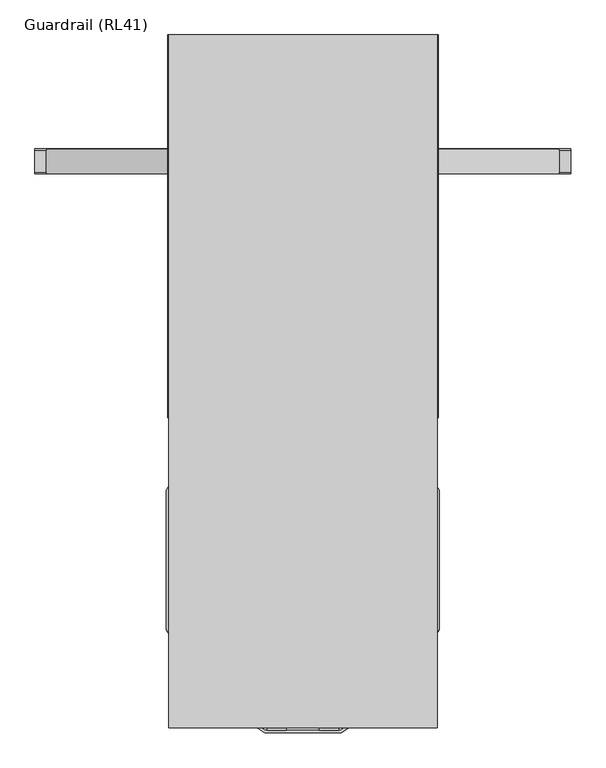
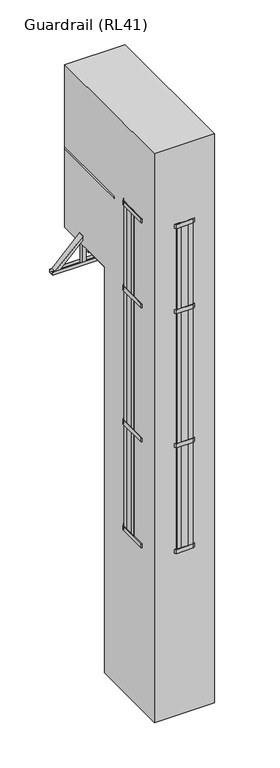
"""IFC4 building model written with IfcOpenShell, lengths in millimetres: proxy geometry, Guardrail (RL41)."""

from ifc_helpers import new_model, si_unit, point, frame, frame_2d, origin, place, context, project, spatial, polyline, circle_curve, trimmed, segment, composite_curve, outline, extrude, faceted_brep, source, transform, mapped, element, save
from ifc_brep_helpers import plane_surface, cylinder_surface, advanced_brep


def guardrail_rl41_0ad70044(model_context):
    return source(origin(), model_context, "Body", "SolidModel", [
        extrude(outline(polyline([(-350.5, -400.6413289), (-350.5, -350.6413289), (-338.5, -350.6413289), (-338.5, -400.6413289), (-350.5, -400.6413289)])), frame((0.0, 0.0, 2000.0), z_axis=(0.0, 0.0, 1.0), x_axis=(1.0, 0.0, 0.0)), (0.0, 0.0, 1.0), 4050.0),
        extrude(outline(polyline([(-350.5, -245.5), (-350.5, -195.5), (-338.5, -195.5), (-338.5, -245.5), (-350.5, -245.5)])), frame((0.0, 0.0, 2000.0), z_axis=(0.0, 0.0, 1.0), x_axis=(1.0, 0.0, 0.0)), (0.0, 0.0, 1.0), 4050.0),
        extrude(outline(polyline([(-100.0, -822.5), (-250.5, -722.5), (-356.5, -552.5), (-356.5, -188.7646621), (-306.0, -108.7646621), (-306.0, -5.5), (-300.0, -5.5), (-300.0, -110.5), (-350.5, -190.5), (-350.5, -550.7826578), (-246.0965631, -718.2221321), (-98.1883719, -816.5), (98.1883719, -816.5), (246.0965631, -718.2221321), (350.5, -550.7826578), (350.5, -190.5), (300.0, -110.5), (300.0, -5.5), (306.0, -5.5), (306.0, -108.7646621), (356.5, -188.7646621), (356.5, -552.5), (250.5, -722.5), (100.0, -822.5), (-100.0, -822.5)])), frame((0.0, 0.0, 3300.0), z_axis=(0.0, 0.0, 1.0), x_axis=(1.0, 0.0, 0.0)), (0.0, 0.0, 1.0), 50.0),
        extrude(outline(polyline([(-100.0, -822.5), (-250.5, -722.5), (-356.5, -552.5), (-356.5, -188.7646621), (-306.0, -108.7646621), (-306.0, -5.5), (-300.0, -5.5), (-300.0, -110.5), (-350.5, -190.5), (-350.5, -550.7826578), (-246.0965631, -718.2221321), (-98.1883719, -816.5), (98.1883719, -816.5), (246.0965631, -718.2221321), (350.5, -550.7826578), (350.5, -190.5), (300.0, -110.5), (300.0, -5.5), (306.0, -5.5), (306.0, -108.7646621), (356.5, -188.7646621), (356.5, -552.5), (250.5, -722.5), (100.0, -822.5), (-100.0, -822.5)])), frame((0.0, 0.0, 4950.0), z_axis=(0.0, 0.0, 1.0), x_axis=(1.0, 0.0, 0.0)), (0.0, 0.0, 1.0), 50.0),
        extrude(outline(polyline([(-100.0, -822.5), (-250.5, -722.5), (-356.5, -552.5), (-356.5, -188.7646621), (-306.0, -108.7646621), (-306.0, -5.5), (-300.0, -5.5), (-300.0, -110.5), (-350.5, -190.5), (-350.5, -550.7826578), (-246.0965631, -718.2221321), (-98.1883719, -816.5), (98.1883719, -816.5), (246.0965631, -718.2221321), (350.5, -550.7826578), (350.5, -190.5), (300.0, -110.5), (300.0, -5.5), (306.0, -5.5), (306.0, -108.7646621), (356.5, -188.7646621), (356.5, -552.5), (250.5, -722.5), (100.0, -822.5), (-100.0, -822.5)])), frame((0.0, 0.0, 2000.0), z_axis=(0.0, 0.0, 1.0), x_axis=(1.0, 0.0, 0.0)), (0.0, 0.0, 1.0), 50.0),
        extrude(outline(polyline([(-93.1883719, -816.5), (-93.1883719, -804.5), (-43.1883719, -804.5), (-43.1883719, -816.5), (-93.1883719, -816.5)])), frame((0.0, 0.0, 2000.0), z_axis=(0.0, 0.0, 1.0), x_axis=(1.0, 0.0, 0.0)), (0.0, 0.0, 1.0), 4050.0),
        extrude(outline(polyline([(-311.2167249, -591.1041694), (-321.399429, -597.4533849), (-347.8544935, -555.0254512), (-337.6717895, -548.6762357), (-311.2167249, -591.1041694)])), frame((0.0, 0.0, 2000.0), z_axis=(0.0, 0.0, 1.0), x_axis=(1.0, 0.0, 0.0)), (0.0, 0.0, 1.0), 4050.0),
        extrude(outline(polyline([(-200.2870228, -748.6603648), (-241.9320595, -720.9892441), (-235.2909905, -710.9944353), (-193.6459538, -738.665556), (-200.2870228, -748.6603648)])), frame((0.0, 0.0, 2000.0), z_axis=(0.0, 0.0, 1.0), x_axis=(1.0, 0.0, 0.0)), (0.0, 0.0, 1.0), 4050.0),
        extrude(outline(polyline([(93.1883719, -816.5), (43.1883719, -816.5), (43.1883719, -804.5), (93.1883719, -804.5), (93.1883719, -816.5)])), frame((0.0, 0.0, 2000.0), z_axis=(0.0, 0.0, 1.0), x_axis=(1.0, 0.0, 0.0)), (0.0, 0.0, 1.0), 4050.0),
        extrude(outline(polyline([(311.2167249, -591.1041694), (337.6717895, -548.6762357), (347.8544935, -555.0254512), (321.399429, -597.4533849), (311.2167249, -591.1041694)])), frame((0.0, 0.0, 2000.0), z_axis=(0.0, 0.0, 1.0), x_axis=(1.0, 0.0, 0.0)), (0.0, 0.0, 1.0), 4050.0),
        extrude(outline(polyline([(200.2870228, -748.6603648), (193.6459538, -738.665556), (235.2909905, -710.9944353), (241.9320595, -720.9892441), (200.2870228, -748.6603648)])), frame((0.0, 0.0, 2000.0), z_axis=(0.0, 0.0, 1.0), x_axis=(1.0, 0.0, 0.0)), (0.0, 0.0, 1.0), 4050.0),
        extrude(outline(polyline([(350.5, -400.6413289), (338.5, -400.6413289), (338.5, -350.6413289), (350.5, -350.6413289), (350.5, -400.6413289)])), frame((0.0, 0.0, 2000.0), z_axis=(0.0, 0.0, 1.0), x_axis=(1.0, 0.0, 0.0)), (0.0, 0.0, 1.0), 4050.0),
        extrude(outline(polyline([(350.5, -245.5), (338.5, -245.5), (338.5, -195.5), (350.5, -195.5), (350.5, -245.5)])), frame((0.0, 0.0, 2000.0), z_axis=(0.0, 0.0, 1.0), x_axis=(1.0, 0.0, 0.0)), (0.0, 0.0, 1.0), 4050.0),
        extrude(outline(polyline([(-100.0, -822.5), (-250.5, -722.5), (-356.5, -552.5), (-356.5, -188.7646621), (-306.0, -108.7646621), (-306.0, -5.5), (-300.0, -5.5), (-300.0, -110.5), (-350.5, -190.5), (-350.5, -550.7826578), (-246.0965631, -718.2221321), (-98.1883719, -816.5), (98.1883719, -816.5), (246.0965631, -718.2221321), (350.5, -550.7826578), (350.5, -190.5), (300.0, -110.5), (300.0, -5.5), (306.0, -5.5), (306.0, -108.7646621), (356.5, -188.7646621), (356.5, -552.5), (250.5, -722.5), (100.0, -822.5), (-100.0, -822.5)])), frame((0.0, 0.0, 6000.0), z_axis=(0.0, 0.0, 1.0), x_axis=(1.0, 0.0, 0.0)), (0.0, 0.0, 1.0), 50.0),
        extrude(outline(composite_curve([segment(polyline([(-53.0, 4684.8823529), (-53.0, 4701.8823529)]), True, "CONTINUOUS"), segment(trimmed(circle_curve(frame_2d((-30.5, 4688.9111991)), 25.9711538), [point((-53.0, 4701.8823529))], [point((-8.0, 4701.8823529))], False, "CARTESIAN"), True, "CONTINUOUS"), segment(polyline([(-8.0, 4701.8823529), (-8.0, 4684.8823529), (-53.0, 4684.8823529)]), True, "CONTINUOUS")], self_intersect=False)), frame((-262.0, 0.0, 0.0), z_axis=(1.0, 0.0, 0.0), x_axis=(0.0, 1.0, 0.0)), (0.0, 0.0, 1.0), 524.0),
        extrude(outline(composite_curve([segment(polyline([(-53.0, 4399.7647059), (-53.0, 4416.7647059)]), True, "CONTINUOUS"), segment(trimmed(circle_curve(frame_2d((-30.5, 4403.793552)), 25.9711538), [point((-53.0, 4416.7647059))], [point((-8.0, 4416.7647059))], False, "CARTESIAN"), True, "CONTINUOUS"), segment(polyline([(-8.0, 4416.7647059), (-8.0, 4399.7647059), (-53.0, 4399.7647059)]), True, "CONTINUOUS")], self_intersect=False)), frame((-262.0, 0.0, 0.0), z_axis=(1.0, 0.0, 0.0), x_axis=(0.0, 1.0, 0.0)), (0.0, 0.0, 1.0), 524.0),
        extrude(outline(composite_curve([segment(polyline([(-53.0, 4114.6470588), (-53.0, 4131.6470588)]), True, "CONTINUOUS"), segment(trimmed(circle_curve(frame_2d((-30.5, 4118.675905)), 25.9711538), [point((-53.0, 4131.6470588))], [point((-8.0, 4131.6470588))], False, "CARTESIAN"), True, "CONTINUOUS"), segment(polyline([(-8.0, 4131.6470588), (-8.0, 4114.6470588), (-53.0, 4114.6470588)]), True, "CONTINUOUS")], self_intersect=False)), frame((-262.0, 0.0, 0.0), z_axis=(1.0, 0.0, 0.0), x_axis=(0.0, 1.0, 0.0)), (0.0, 0.0, 1.0), 524.0),
        extrude(outline(composite_curve([segment(polyline([(-53.0, 3829.5294118), (-53.0, 3846.5294118)]), True, "CONTINUOUS"), segment(trimmed(circle_curve(frame_2d((-30.5, 3833.5582579)), 25.9711538), [point((-53.0, 3846.5294118))], [point((-8.0, 3846.5294118))], False, "CARTESIAN"), True, "CONTINUOUS"), segment(polyline([(-8.0, 3846.5294118), (-8.0, 3829.5294118), (-53.0, 3829.5294118)]), True, "CONTINUOUS")], self_intersect=False)), frame((-262.0, 0.0, 0.0), z_axis=(1.0, 0.0, 0.0), x_axis=(0.0, 1.0, 0.0)), (0.0, 0.0, 1.0), 524.0),
        extrude(outline(composite_curve([segment(polyline([(-53.0, 3544.4117647), (-53.0, 3561.4117647)]), True, "CONTINUOUS"), segment(trimmed(circle_curve(frame_2d((-30.5, 3548.4406109)), 25.9711538), [point((-53.0, 3561.4117647))], [point((-8.0, 3561.4117647))], False, "CARTESIAN"), True, "CONTINUOUS"), segment(polyline([(-8.0, 3561.4117647), (-8.0, 3544.4117647), (-53.0, 3544.4117647)]), True, "CONTINUOUS")], self_intersect=False)), frame((-262.0, 0.0, 0.0), z_axis=(1.0, 0.0, 0.0), x_axis=(0.0, 1.0, 0.0)), (0.0, 0.0, 1.0), 524.0),
        extrude(outline(composite_curve([segment(polyline([(-53.0, 3259.2941176), (-53.0, 3276.2941176)]), True, "CONTINUOUS"), segment(trimmed(circle_curve(frame_2d((-30.5, 3263.3229638)), 25.9711538), [point((-53.0, 3276.2941176))], [point((-8.0, 3276.2941176))], False, "CARTESIAN"), True, "CONTINUOUS"), segment(polyline([(-8.0, 3276.2941176), (-8.0, 3259.2941176), (-53.0, 3259.2941176)]), True, "CONTINUOUS")], self_intersect=False)), frame((-262.0, 0.0, 0.0), z_axis=(1.0, 0.0, 0.0), x_axis=(0.0, 1.0, 0.0)), (0.0, 0.0, 1.0), 524.0),
        extrude(outline(composite_curve([segment(polyline([(-53.0, 2974.1764706), (-53.0, 2991.1764706)]), True, "CONTINUOUS"), segment(trimmed(circle_curve(frame_2d((-30.5, 2978.2053167)), 25.9711538), [point((-53.0, 2991.1764706))], [point((-8.0, 2991.1764706))], False, "CARTESIAN"), True, "CONTINUOUS"), segment(polyline([(-8.0, 2991.1764706), (-8.0, 2974.1764706), (-53.0, 2974.1764706)]), True, "CONTINUOUS")], self_intersect=False)), frame((-262.0, 0.0, 0.0), z_axis=(1.0, 0.0, 0.0), x_axis=(0.0, 1.0, 0.0)), (0.0, 0.0, 1.0), 524.0),
        extrude(outline(composite_curve([segment(polyline([(-53.0, 2689.0588235), (-53.0, 2706.0588235)]), True, "CONTINUOUS"), segment(trimmed(circle_curve(frame_2d((-30.5, 2693.0876697)), 25.9711538), [point((-53.0, 2706.0588235))], [point((-8.0, 2706.0588235))], False, "CARTESIAN"), True, "CONTINUOUS"), segment(polyline([(-8.0, 2706.0588235), (-8.0, 2689.0588235), (-53.0, 2689.0588235)]), True, "CONTINUOUS")], self_intersect=False)), frame((-262.0, 0.0, 0.0), z_axis=(1.0, 0.0, 0.0), x_axis=(0.0, 1.0, 0.0)), (0.0, 0.0, 1.0), 524.0),
        extrude(outline(composite_curve([segment(polyline([(-53.0, 2403.9411765), (-53.0, 2420.9411765)]), True, "CONTINUOUS"), segment(trimmed(circle_curve(frame_2d((-30.5, 2407.9700226)), 25.9711538), [point((-53.0, 2420.9411765))], [point((-8.0, 2420.9411765))], False, "CARTESIAN"), True, "CONTINUOUS"), segment(polyline([(-8.0, 2420.9411765), (-8.0, 2403.9411765), (-53.0, 2403.9411765)]), True, "CONTINUOUS")], self_intersect=False)), frame((-262.0, 0.0, 0.0), z_axis=(1.0, 0.0, 0.0), x_axis=(0.0, 1.0, 0.0)), (0.0, 0.0, 1.0), 524.0),
        extrude(outline(composite_curve([segment(polyline([(-53.0, 2118.8235294), (-53.0, 2135.8235294)]), True, "CONTINUOUS"), segment(trimmed(circle_curve(frame_2d((-30.5, 2122.8523756)), 25.9711538), [point((-53.0, 2135.8235294))], [point((-8.0, 2135.8235294))], False, "CARTESIAN"), True, "CONTINUOUS"), segment(polyline([(-8.0, 2135.8235294), (-8.0, 2118.8235294), (-53.0, 2118.8235294)]), True, "CONTINUOUS")], self_intersect=False)), frame((-262.0, 0.0, 0.0), z_axis=(1.0, 0.0, 0.0), x_axis=(0.0, 1.0, 0.0)), (0.0, 0.0, 1.0), 524.0),
        extrude(outline(composite_curve([segment(polyline([(-53.0, 1833.7058824), (-53.0, 1850.7058824)]), True, "CONTINUOUS"), segment(trimmed(circle_curve(frame_2d((-30.5, 1837.7347285)), 25.9711538), [point((-53.0, 1850.7058824))], [point((-8.0, 1850.7058824))], False, "CARTESIAN"), True, "CONTINUOUS"), segment(polyline([(-8.0, 1850.7058824), (-8.0, 1833.7058824), (-53.0, 1833.7058824)]), True, "CONTINUOUS")], self_intersect=False)), frame((-262.0, 0.0, 0.0), z_axis=(1.0, 0.0, 0.0), x_axis=(0.0, 1.0, 0.0)), (0.0, 0.0, 1.0), 524.0),
        extrude(outline(composite_curve([segment(polyline([(-53.0, 1548.5882353), (-53.0, 1565.5882353)]), True, "CONTINUOUS"), segment(trimmed(circle_curve(frame_2d((-30.5, 1552.6170814)), 25.9711538), [point((-53.0, 1565.5882353))], [point((-8.0, 1565.5882353))], False, "CARTESIAN"), True, "CONTINUOUS"), segment(polyline([(-8.0, 1565.5882353), (-8.0, 1548.5882353), (-53.0, 1548.5882353)]), True, "CONTINUOUS")], self_intersect=False)), frame((-262.0, 0.0, 0.0), z_axis=(1.0, 0.0, 0.0), x_axis=(0.0, 1.0, 0.0)), (0.0, 0.0, 1.0), 524.0),
        extrude(outline(composite_curve([segment(polyline([(-53.0, 1263.4705882), (-53.0, 1280.4705882)]), True, "CONTINUOUS"), segment(trimmed(circle_curve(frame_2d((-30.5, 1267.4994344)), 25.9711538), [point((-53.0, 1280.4705882))], [point((-8.0, 1280.4705882))], False, "CARTESIAN"), True, "CONTINUOUS"), segment(polyline([(-8.0, 1280.4705882), (-8.0, 1263.4705882), (-53.0, 1263.4705882)]), True, "CONTINUOUS")], self_intersect=False)), frame((-262.0, 0.0, 0.0), z_axis=(1.0, 0.0, 0.0), x_axis=(0.0, 1.0, 0.0)), (0.0, 0.0, 1.0), 524.0),
        extrude(outline(composite_curve([segment(polyline([(-53.0, 978.3529412), (-53.0, 995.3529412)]), True, "CONTINUOUS"), segment(trimmed(circle_curve(frame_2d((-30.5, 982.3817873)), 25.9711538), [point((-53.0, 995.3529412))], [point((-8.0, 995.3529412))], False, "CARTESIAN"), True, "CONTINUOUS"), segment(polyline([(-8.0, 995.3529412), (-8.0, 978.3529412), (-53.0, 978.3529412)]), True, "CONTINUOUS")], self_intersect=False)), frame((-262.0, 0.0, 0.0), z_axis=(1.0, 0.0, 0.0), x_axis=(0.0, 1.0, 0.0)), (0.0, 0.0, 1.0), 524.0),
        extrude(outline(composite_curve([segment(polyline([(-53.0, 693.2352941), (-53.0, 710.2352941)]), True, "CONTINUOUS"), segment(trimmed(circle_curve(frame_2d((-30.5, 697.2641403)), 25.9711538), [point((-53.0, 710.2352941))], [point((-8.0, 710.2352941))], False, "CARTESIAN"), True, "CONTINUOUS"), segment(polyline([(-8.0, 710.2352941), (-8.0, 693.2352941), (-53.0, 693.2352941)]), True, "CONTINUOUS")], self_intersect=False)), frame((-262.0, 0.0, 0.0), z_axis=(1.0, 0.0, 0.0), x_axis=(0.0, 1.0, 0.0)), (0.0, 0.0, 1.0), 524.0),
        extrude(outline(composite_curve([segment(polyline([(-53.0, 408.1176471), (-53.0, 425.1176471)]), True, "CONTINUOUS"), segment(trimmed(circle_curve(frame_2d((-30.5, 412.1464932)), 25.9711538), [point((-53.0, 425.1176471))], [point((-8.0, 425.1176471))], False, "CARTESIAN"), True, "CONTINUOUS"), segment(polyline([(-8.0, 425.1176471), (-8.0, 408.1176471), (-53.0, 408.1176471)]), True, "CONTINUOUS")], self_intersect=False)), frame((-262.0, 0.0, 0.0), z_axis=(1.0, 0.0, 0.0), x_axis=(0.0, 1.0, 0.0)), (0.0, 0.0, 1.0), 524.0),
        extrude(outline(composite_curve([segment(polyline([(-53.0, 4970.0), (-53.0, 4987.0)]), True, "CONTINUOUS"), segment(trimmed(circle_curve(frame_2d((-30.5, 4974.0288462)), 25.9711538), [point((-53.0, 4987.0))], [point((-8.0, 4987.0))], False, "CARTESIAN"), True, "CONTINUOUS"), segment(polyline([(-8.0, 4987.0), (-8.0, 4970.0), (-53.0, 4970.0)]), True, "CONTINUOUS")], self_intersect=False)), frame((-262.0, 0.0, 0.0), z_axis=(1.0, 0.0, 0.0), x_axis=(0.0, 1.0, 0.0)), (0.0, 0.0, 1.0), 524.0),
        extrude(outline(composite_curve([segment(polyline([(-53.0, 123.0), (-53.0, 140.0)]), True, "CONTINUOUS"), segment(trimmed(circle_curve(frame_2d((-30.5, 127.0288462)), 25.9711538), [point((-53.0, 140.0))], [point((-8.0, 140.0))], False, "CARTESIAN"), True, "CONTINUOUS"), segment(polyline([(-8.0, 140.0), (-8.0, 123.0), (-53.0, 123.0)]), True, "CONTINUOUS")], self_intersect=False)), frame((-262.0, 0.0, 0.0), z_axis=(1.0, 0.0, 0.0), x_axis=(0.0, 1.0, 0.0)), (0.0, 0.0, 1.0), 524.0),
        extrude(outline(polyline([(300.0, -59.5), (262.0, -59.5), (262.0, -1.5), (300.0, -1.5), (300.0, -59.5)])), frame((0.0, 0.0, 3.0), z_axis=(0.0, 0.0, 1.0), x_axis=(1.0, 0.0, 0.0)), (0.0, 0.0, 1.0), 6047.0),
        extrude(outline(polyline([(-262.0, -59.5), (-300.0, -59.5), (-300.0, -1.5), (-262.0, -1.5), (-262.0, -59.5)])), frame((0.0, 0.0, 3.0), z_axis=(0.0, 0.0, 1.0), x_axis=(1.0, 0.0, 0.0)), (0.0, 0.0, 1.0), 6047.0),
        faceted_brep([(-303.5, -250.5, 0.0), (-250.5, -250.5, 0.0), (-250.5, -250.5, 3.0), (-300.5, -250.5, 3.0), (-303.5, -250.5, 3.0), (-300.5, 109.5, 3.0), (-250.5, 109.5, 3.0), (-250.5, 109.5, 0.0), (-303.5, 109.5, 0.0), (-303.5, 109.5, 3.0), (-300.5, -203.5, 50.0), (-300.5, 62.5, 50.0), (-303.5, 62.5, 50.0), (-303.5, -203.5, 50.0)], [[[0, 1, 2, 3, 4]], [[5, 6, 7, 8, 9]], [[10, 11, 12, 13]], [[8, 0, 4, 13, 12, 9]], [[1, 0, 8, 7]], [[2, 1, 7, 6]], [[3, 2, 6, 5]], [[3, 5, 11, 10]], [[5, 9, 12, 11]], [[4, 3, 10, 13]]]),
        faceted_brep([(300.5, -250.5, 3.0), (250.5, -250.5, 3.0), (250.5, -250.5, 0.0), (303.5, -250.5, 0.0), (303.5, -250.5, 3.0), (303.5, 109.5, 0.0), (250.5, 109.5, 0.0), (250.5, 109.5, 3.0), (300.5, 109.5, 3.0), (303.5, 109.5, 3.0), (303.5, 62.5, 50.0), (303.5, -203.5, 50.0), (300.5, 62.5, 50.0), (300.5, -203.5, 50.0)], [[[0, 1, 2, 3, 4]], [[5, 6, 7, 8, 9]], [[1, 0, 8, 7]], [[2, 1, 7, 6]], [[3, 2, 6, 5]], [[3, 5, 9, 10, 11, 4]], [[11, 10, 12, 13]], [[8, 0, 13, 12]], [[9, 8, 12, 10]], [[0, 4, 11, 13]]]),
        advanced_brep(
        [(309.5, 1000.0, 5486.25), (309.5, 1000.0, 5459.75), (309.5, 41.3809842, 5486.25), (309.5, 41.3809842, 5459.75), (294.5187617, 41.3809842, 5493.0)],
        [
            (0, 1),
            (1, 0, circle_curve(frame((294.5187617, 1000.0, 5473.0), z_axis=(0.0, 1.0, 0.0), x_axis=(-1.0, 0.0, 0.0)), 20.0)),
            (0, 2),
            (2, 3),
            (3, 1),
            (3, 4, circle_curve(frame((294.5187617, 41.3809842, 5473.0), z_axis=(0.0, 1.0, 0.0), x_axis=(-1.0, 0.0, 0.0)), 20.0)),
            (4, 2, circle_curve(frame((294.5187617, 41.3809842, 5473.0), z_axis=(0.0, 1.0, 0.0), x_axis=(-1.0, 0.0, 0.0)), 20.0)),
        ],
        [
            plane_surface(frame((274.5187617, 1000.0, 5473.0), z_axis=(0.0, 1.0, 0.0), x_axis=(0.0, 0.0, 1.0))),
            plane_surface(frame((309.5, 0.0, 5459.75), z_axis=(1.0, 0.0, 0.0), x_axis=(0.0, 1.0, 0.0))),
            cylinder_surface(frame((294.5187617, 1000.0, 5473.0), z_axis=(0.0, -1.0, 0.0), x_axis=(-1.0, 0.0, 0.0)), 20.0),
            plane_surface(frame((372.2487373, 41.3809842, 5000.0), z_axis=(0.0, -1.0, 0.0), x_axis=(-1.0, 0.0, 0.0))),
        ],
        [
            (0, [[1, 2]]),
            (1, [[-1, 3, 4, 5]]),
            (2, [[-2, -5, 6, 7, -3]]),
            (3, [[-4, -7, -6]]),
        ],
    ),
        advanced_brep(
        [(-309.5, 1000.0, 5486.25), (-309.5, 1000.0, 5459.75), (-309.5, 41.3809842, 5459.75), (-309.5, 41.3809842, 5486.25), (-294.5187617, 41.3809842, 5493.0)],
        [
            (0, 1, circle_curve(frame((-294.5187617, 1000.0, 5473.0), z_axis=(0.0, 1.0, 0.0), x_axis=(1.0, 0.0, 0.0)), 20.0)),
            (1, 0),
            (1, 2),
            (2, 3),
            (3, 0),
            (3, 4, circle_curve(frame((-294.5187617, 41.3809842, 5473.0), z_axis=(0.0, 1.0, 0.0), x_axis=(1.0, 0.0, 0.0)), 20.0)),
            (4, 2, circle_curve(frame((-294.5187617, 41.3809842, 5473.0), z_axis=(0.0, 1.0, 0.0), x_axis=(1.0, 0.0, 0.0)), 20.0)),
        ],
        [
            plane_surface(frame((-309.5, 1000.0, 5459.75), z_axis=(0.0, 1.0, 0.0), x_axis=(0.0, 0.0, 1.0))),
            plane_surface(frame((-309.5, 0.0, 5486.25), z_axis=(-1.0, 0.0, 0.0), x_axis=(0.0, 1.0, 0.0))),
            cylinder_surface(frame((-294.5187617, 1000.0, 5473.0), z_axis=(0.0, -1.0, 0.0), x_axis=(1.0, 0.0, 0.0)), 20.0),
            plane_surface(frame((372.2487373, 41.3809842, 5000.0), z_axis=(0.0, -1.0, 0.0), x_axis=(-1.0, 0.0, 0.0))),
        ],
        [
            (0, [[1, 2]]),
            (1, [[-2, 3, 4, 5]]),
            (2, [[-1, -5, 6, 7, -3]]),
            (3, [[-4, -7, -6]]),
        ],
    ),
        advanced_brep(
        [(307.5, 0.0, 5961.43534), (307.5, 0.0, 5943.0), (349.5, 0.0, 5943.0), (349.5, 0.0, 5961.43534), (328.5, 0.0, 6000.0), (349.5, 1000.0, 5961.43534), (349.5, 1000.0, 5943.0), (307.5, 1000.0, 5943.0), (307.5, 1000.0, 5961.43534)],
        [
            (0, 1),
            (1, 2),
            (2, 3),
            (3, 4, circle_curve(frame((328.5, 0.0, 5975.0), z_axis=(0.0, -1.0, 0.0), x_axis=(-1.0, 0.0, 0.0)), 25.0)),
            (4, 0, circle_curve(frame((328.5, 0.0, 5975.0), z_axis=(0.0, -1.0, 0.0), x_axis=(-1.0, 0.0, 0.0)), 25.0)),
            (5, 6),
            (6, 7),
            (7, 8),
            (8, 5, circle_curve(frame((328.5, 1000.0, 5975.0), z_axis=(0.0, 1.0, 0.0), x_axis=(-1.0, 0.0, 0.0)), 25.0)),
            (2, 6),
            (5, 3),
            (1, 7),
            (0, 8),
        ],
        [
            plane_surface(frame((303.5, 0.0, 5975.0), z_axis=(0.0, -1.0, 0.0), x_axis=(0.0, 0.0, -1.0))),
            plane_surface(frame((303.5, 1000.0, 5975.0), z_axis=(0.0, 1.0, 0.0), x_axis=(0.0, 0.0, 1.0))),
            plane_surface(frame((349.5, 0.0, 5943.0), z_axis=(1.0, 0.0, 0.0), x_axis=(0.0, 1.0, 0.0))),
            plane_surface(frame((307.5, 0.0, 5943.0), z_axis=(0.0, 0.0, -1.0), x_axis=(0.0, 1.0, 0.0))),
            plane_surface(frame((307.5, 0.0, 5961.43534), z_axis=(-1.0, 0.0, 0.0), x_axis=(0.0, 1.0, 0.0))),
            cylinder_surface(frame((328.5, 1000.0, 5975.0), z_axis=(0.0, -1.0, 0.0), x_axis=(-1.0, 0.0, 0.0)), 25.0),
        ],
        [
            (0, [[1, 2, 3, 4, 5]]),
            (1, [[6, 7, 8, 9]]),
            (2, [[-3, 10, -6, 11]]),
            (3, [[-2, 12, -7, -10]]),
            (4, [[-1, 13, -8, -12]]),
            (5, [[-9, -13, -5, -4, -11]]),
        ],
    ),
        advanced_brep(
        [(-349.5, 0.0, 5961.43534), (-349.5, 0.0, 5943.0), (-307.5, 0.0, 5943.0), (-307.5, 0.0, 5961.43534), (-328.5, 0.0, 6000.0), (-349.5, 1000.0, 5961.43534), (-307.5, 1000.0, 5961.43534), (-307.5, 1000.0, 5943.0), (-349.5, 1000.0, 5943.0)],
        [
            (0, 1),
            (1, 2),
            (2, 3),
            (3, 4, circle_curve(frame((-328.5, 0.0, 5975.0), z_axis=(0.0, -1.0, 0.0), x_axis=(1.0, 0.0, 0.0)), 25.0)),
            (4, 0, circle_curve(frame((-328.5, 0.0, 5975.0), z_axis=(0.0, -1.0, 0.0), x_axis=(1.0, 0.0, 0.0)), 25.0)),
            (5, 6, circle_curve(frame((-328.5, 1000.0, 5975.0), z_axis=(0.0, 1.0, 0.0), x_axis=(1.0, 0.0, 0.0)), 25.0)),
            (6, 7),
            (7, 8),
            (8, 5),
            (0, 5),
            (8, 1),
            (7, 2),
            (6, 3),
        ],
        [
            plane_surface(frame((-349.5, 0.0, 5943.0), z_axis=(0.0, -1.0, 0.0), x_axis=(0.0, 0.0, -1.0))),
            plane_surface(frame((-349.5, 1000.0, 5943.0), z_axis=(0.0, 1.0, 0.0), x_axis=(0.0, 0.0, 1.0))),
            plane_surface(frame((-349.5, 0.0, 5961.43534), z_axis=(-1.0, 0.0, 0.0), x_axis=(0.0, 1.0, 0.0))),
            plane_surface(frame((-349.5, 0.0, 5943.0), z_axis=(0.0, 0.0, -1.0), x_axis=(0.0, 1.0, 0.0))),
            plane_surface(frame((-307.5, 0.0, 5943.0), z_axis=(1.0, 0.0, 0.0), x_axis=(0.0, 1.0, 0.0))),
            cylinder_surface(frame((-328.5, 1000.0, 5975.0), z_axis=(0.0, -1.0, 0.0), x_axis=(1.0, 0.0, 0.0)), 25.0),
        ],
        [
            (0, [[1, 2, 3, 4, 5]]),
            (1, [[6, 7, 8, 9]]),
            (2, [[-1, 10, -9, 11]]),
            (3, [[-2, -11, -8, 12]]),
            (4, [[-3, -12, -7, 13]]),
            (5, [[-6, -10, -5, -4, -13]]),
        ],
    ),
        extrude(outline(polyline([(300.0, 1000.0), (300.0, 0.0), (-300.0, 0.0), (-300.0, 1000.0), (300.0, 1000.0)]), holes=[polyline([(262.0, 962.0), (-262.0, 962.0), (-262.0, 38.0), (262.0, 38.0), (262.0, 962.0)])]), frame((0.0, 0.0, 4924.2375855), z_axis=(0.0, 0.0, 1.0), x_axis=(1.0, 0.0, 0.0)), (0.0, 0.0, 1.0), 57.2624145),
        extrude(outline(polyline([(702.5, 4788.0), (702.5, 4750.0), (637.5, 4750.0), (637.5, 4788.0), (640.5, 4788.0), (640.5, 4753.0), (699.5, 4753.0), (699.5, 4788.0), (702.5, 4788.0)])), frame((-700.0, 0.0, 0.0), z_axis=(1.0, 0.0, 0.0), x_axis=(0.0, 1.0, 0.0)), (0.0, 0.0, 1.0), 1400.0),
        extrude(outline(polyline([(-29.0, -38.0), (-32.0, -38.0), (-32.0, 0.0), (32.0, 0.0), (32.0, -38.0), (29.0, -38.0), (29.0, -2.9999999), (-29.0, -2.9999999), (-29.0, -38.0)])), frame((670.0, 670.0, 4788.0), z_axis=(-0.7071067811865461, 0.0, 0.7071067811865491), x_axis=(0.0, -1.0, 0.0)), (0.0, 0.0, 1.0), 456.0838739),
        extrude(outline(polyline([(-29.0, 38.0), (-29.0, 2.9999999), (29.0, 2.9999999), (29.0, 38.0), (32.0, 38.0), (32.0, 0.0), (-32.0, 0.0), (-32.0, 38.0), (-29.0, 38.0)])), frame((-670.0, 670.0, 4788.0), z_axis=(0.7071067811865526, 0.0, 0.7071067811865425), x_axis=(0.0, -1.0, 0.0)), (0.0, 0.0, 1.0), 456.0838739),
        extrude(outline(polyline([(347.5, 699.0), (347.5, 641.0), (309.5, 641.0), (309.5, 699.0), (347.5, 699.0)])), frame((0.0, 0.0, 4753.0), z_axis=(0.0, 0.0, 1.0), x_axis=(1.0, 0.0, 0.0)), (0.0, 0.0, 1.0), 1190.0),
        extrude(outline(polyline([(347.5, 699.0), (347.5, 641.0), (309.5, 641.0), (309.5, 699.0), (347.5, 699.0)])), frame((0.0, 0.0, 4753.0), z_axis=(0.0, 0.0, 1.0), x_axis=(1.0, 0.0, 0.0)), (0.0, 0.0, 1.0), 1190.0),
        extrude(outline(polyline([(-309.5, 699.0), (-309.5, 641.0), (-347.5, 641.0), (-347.5, 699.0), (-309.5, 699.0)])), frame((0.0, 0.0, 4753.0), z_axis=(0.0, 0.0, 1.0), x_axis=(1.0, 0.0, 0.0)), (0.0, 0.0, 1.0), 1190.0),
        extrude(outline(polyline([(-309.5, 699.0), (-309.5, 641.0), (-347.5, 641.0), (-347.5, 699.0), (-309.5, 699.0)])), frame((0.0, 0.0, 4753.0), z_axis=(0.0, 0.0, 1.0), x_axis=(1.0, 0.0, 0.0)), (0.0, 0.0, 1.0), 1190.0),
        extrude(outline(polyline([(300.0, 1000.0), (300.0, 0.0), (-300.0, 0.0), (-300.0, 1000.0), (300.0, 1000.0)])), frame((0.0, 0.0, 4981.5), z_axis=(0.0, 0.0, 1.0), x_axis=(1.0, 0.0, 0.0)), (0.0, 0.0, 1.0), 18.5),
        extrude(outline(polyline([(0.0, -75.0156698), (0.0, 0.0), (6.0, 0.0), (6.0, -75.0156698), (0.0, -75.0156698)])), frame((300.0, 61.9987697, 4924.2375855), z_axis=(0.0, -0.22820939732088083, 0.9736120741724809), x_axis=(1.0, 0.0, 0.0)), (0.0, 0.0, 1.0), 56.5477611),
        extrude(outline(polyline([(0.0, -75.0156698), (0.0, 0.0), (6.0, 0.0), (6.0, -75.0156698), (0.0, -75.0156698)])), frame((-300.0, -11.0373922, 4907.1183047), z_axis=(0.0, -0.22820939732088125, 0.9736120741724809), x_axis=(-1.0, 0.0, 0.0)), (0.0, 0.0, 1.0), 56.5477611),
        extrude(outline(polyline([(300.0, 590.0), (300.0, 750.0), (309.5, 750.0), (309.5, 590.0), (300.0, 590.0)])), frame((0.0, 0.0, 4920.0), z_axis=(0.0, 0.0, 1.0), x_axis=(1.0, 0.0, 0.0)), (0.0, 0.0, 1.0), 80.0),
        extrude(outline(polyline([(300.0, 590.0), (300.0, 750.0), (309.5, 750.0), (309.5, 590.0), (300.0, 590.0)])), frame((0.0, 0.0, 4920.0), z_axis=(0.0, 0.0, 1.0), x_axis=(1.0, 0.0, 0.0)), (0.0, 0.0, 1.0), 80.0),
        extrude(outline(polyline([(-300.0, 750.0), (-300.0, 590.0), (-309.5, 590.0), (-309.5, 750.0), (-300.0, 750.0)])), frame((0.0, 0.0, 4920.0), z_axis=(0.0, 0.0, 1.0), x_axis=(1.0, 0.0, 0.0)), (0.0, 0.0, 1.0), 80.0),
        extrude(outline(polyline([(-300.0, 750.0), (-300.0, 590.0), (-309.5, 590.0), (-309.5, 750.0), (-300.0, 750.0)])), frame((0.0, 0.0, 4920.0), z_axis=(0.0, 0.0, 1.0), x_axis=(1.0, 0.0, 0.0)), (0.0, 0.0, 1.0), 80.0),
        extrude(outline(polyline([(262.0, 540.5), (262.0, 502.5), (-262.0, 502.5), (-262.0, 540.5), (262.0, 540.5)])), frame((0.0, 0.0, 4923.5), z_axis=(0.0, 0.0, 1.0), x_axis=(1.0, 0.0, 0.0)), (0.0, 0.0, 1.0), 58.0),
        extrude(outline(polyline([(200.0, 5000.0), (200.0, 0.0), (-809.5, 0.0), (-809.5, 7000.0), (1000.0, 7000.0), (1000.0, 5000.0), (200.0, 5000.0)])), frame((-350.5, 0.0, 0.0), z_axis=(1.0, 0.0, 0.0), x_axis=(0.0, 1.0, 0.0)), (0.0, 0.0, 1.0), 701.0),
        extrude(outline(polyline([(306.5, 200.0), (306.5, -30.5), (300.5, -30.5), (300.5, 195.0), (-300.5, 195.0), (-300.5, -30.5), (-306.5, -30.5), (-306.5, 200.0), (306.5, 200.0)])), frame((0.0, 0.0, 2460.0), z_axis=(0.0, 0.0, 1.0), x_axis=(1.0, 0.0, 0.0)), (0.0, 0.0, 1.0), 80.0),
        extrude(outline(polyline([(306.5, 200.0), (306.5, -30.5), (300.5, -30.5), (300.5, 195.0), (-300.5, 195.0), (-300.5, -30.5), (-306.5, -30.5), (-306.5, 200.0), (306.5, 200.0)])), frame((0.0, 0.0, 4360.0), z_axis=(0.0, 0.0, 1.0), x_axis=(1.0, 0.0, 0.0)), (0.0, 0.0, 1.0), 80.0),
    ])


if __name__ == "__main__":
    model = new_model("IFC4")
    model_context = context("Model", 3, world=origin())
    ifc_project = project(units=[si_unit("LENGTHUNIT", "METRE", prefix="MILLI")], contexts=[model_context])
    site = spatial("IfcSite", under=ifc_project)
    building = spatial("IfcBuilding", under=site)
    placement = place(None, origin())
    guardrail_rl41_shape = guardrail_rl41_0ad70044(model_context)
    element("IfcBuildingElementProxy", 1, Name="Guardrail (RL41)", ObjectType="Guardrail (RL41)", at=placement, inside=building, context=model_context, shape_type="MappedRepresentation", body=[
        mapped(guardrail_rl41_shape, transform((0.0, 0.0, 0.0), x_axis=(1.0, 0.0, 0.0), y_axis=(0.0, 1.0, 0.0), z_axis=(0.0, 0.0, 1.0))),
    ])
    save(model, "model.ifc")
